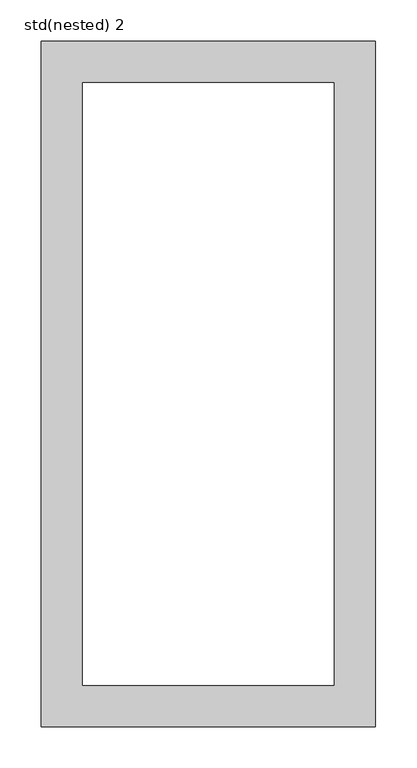
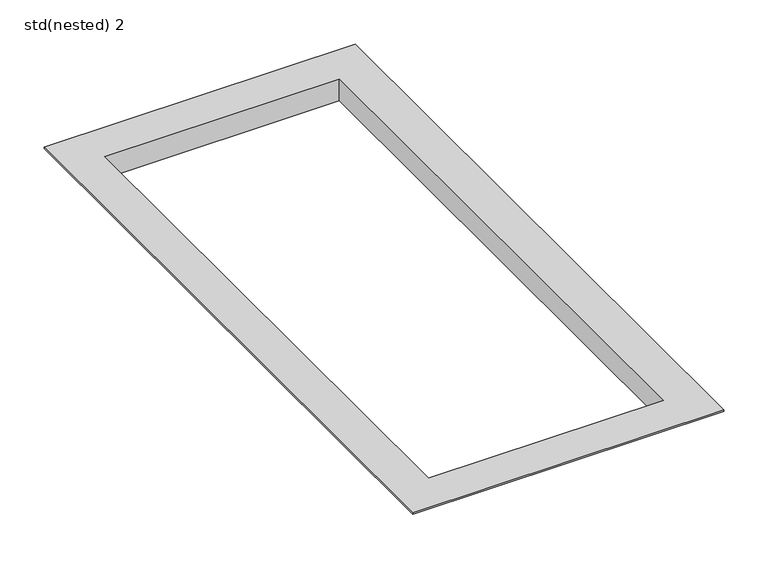
"""IFC4 building model written with IfcOpenShell, lengths in millimetres: furniture geometry, std(nested) 2."""

from ifc_helpers import new_model, si_unit, origin, place, context, project, spatial, faceted_brep, source, transform, mapped, element, save


def std_nested_2_1e3dd5eb(model_context):
    return source(origin(), model_context, "Body", "Brep", [
        faceted_brep([(154.5, 367.0, -30.0), (154.5, 367.0, -2.0), (154.5, -367.0, -2.0), (154.5, -367.0, -30.0), (152.5, 365.0, 0.0), (152.5, 365.0, -30.0), (152.5, -365.0, -30.0), (152.5, -365.0, 0.0), (202.5, 415.0, -2.0), (202.5, 415.0, 0.0), (202.5, -415.0, 0.0), (202.5, -415.0, -2.0), (-154.5, -367.0, -2.0), (-154.5, -367.0, -30.0), (-152.5, -365.0, -30.0), (-152.5, -365.0, 0.0), (-202.5, -415.0, 0.0), (-202.5, -415.0, -2.0), (-154.5, 367.0, -2.0), (-154.5, 367.0, -30.0), (-152.5, 365.0, -30.0), (-152.5, 365.0, 0.0), (-202.5, 415.0, 0.0), (-202.5, 415.0, -2.0)], [[[0, 1, 2, 3]], [[4, 5, 6, 7]], [[8, 9, 10, 11]], [[3, 2, 12, 13]], [[7, 6, 14, 15]], [[11, 10, 16, 17]], [[13, 12, 18, 19]], [[15, 14, 20, 21]], [[17, 16, 22, 23]], [[11, 17, 23, 8], [1, 18, 12, 2]], [[19, 18, 1, 0]], [[3, 13, 19, 0], [5, 20, 14, 6]], [[21, 20, 5, 4]], [[9, 22, 16, 10], [7, 15, 21, 4]], [[23, 22, 9, 8]]]),
    ])


if __name__ == "__main__":
    model = new_model("IFC4")
    model_context = context("Model", 3, world=origin())
    ifc_project = project(units=[si_unit("LENGTHUNIT", "METRE", prefix="MILLI")], contexts=[model_context])
    site = spatial("IfcSite", under=ifc_project)
    building = spatial("IfcBuilding", under=site)
    placement = place(None, origin())
    std_nested_2_shape = std_nested_2_1e3dd5eb(model_context)
    element("IfcFurniture", 1, ObjectType="std(nested) 2", at=placement, inside=building, context=model_context, shape_type="MappedRepresentation", body=[
        mapped(std_nested_2_shape, transform((0.0, 0.0, 0.0), x_axis=(1.0, 0.0, 0.0), y_axis=(0.0, 1.0, 0.0), z_axis=(0.0, 0.0, 1.0))),
    ])
    save(model, "model.ifc")
